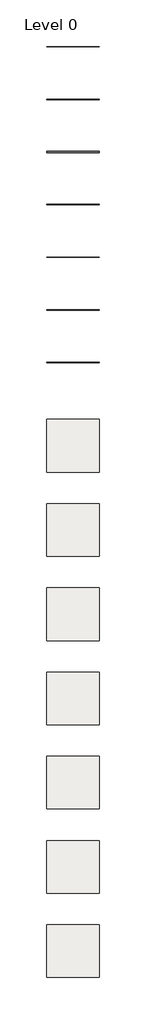
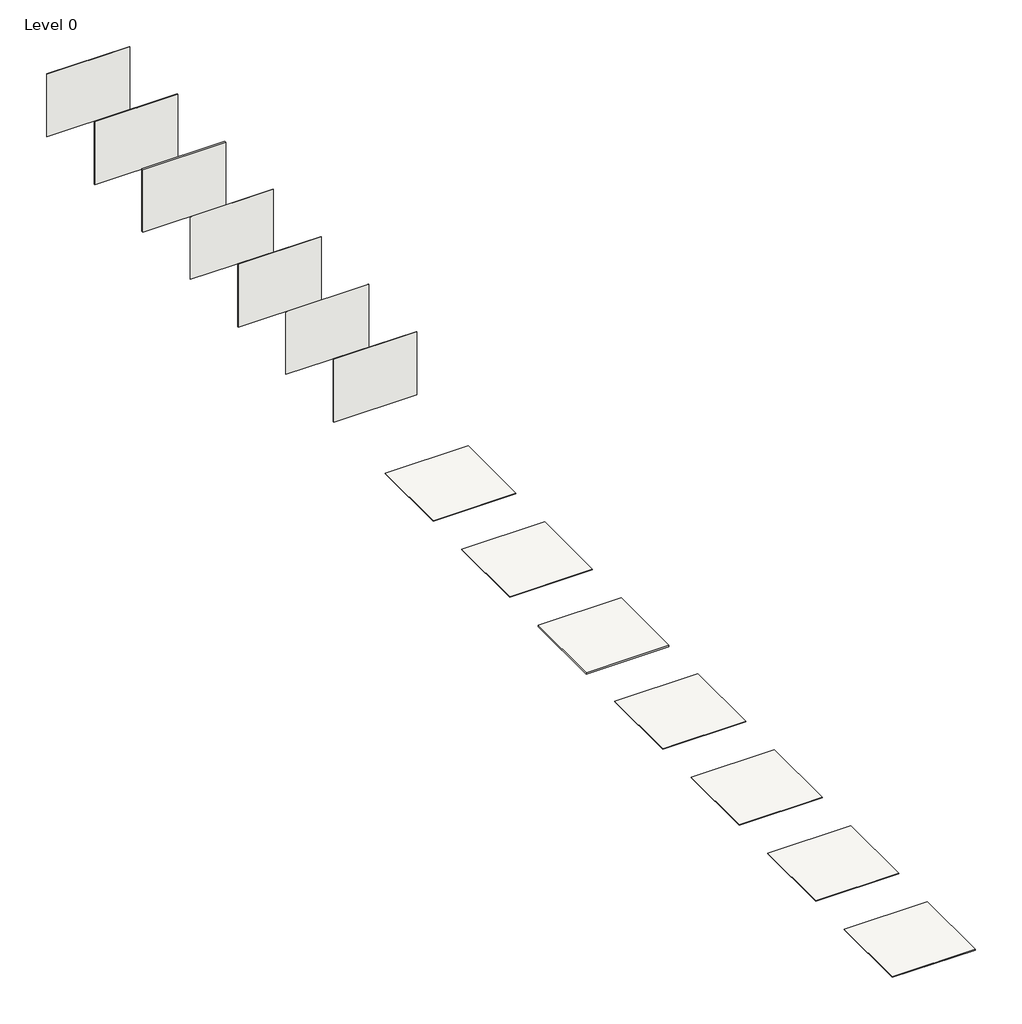
# One storey: 14 coverings.
"""IFC4 building model written with IfcOpenShell, lengths in millimetres."""

import ifcopenshell
import ifcopenshell.guid

model = None  # the IFC model being written
_history = None  # IfcOwnerHistory: only IFC2X3 demands one
_inside = {}  # id of a spatial element -> (the spatial element, [elements in it])
_under = {}  # id of a project, library or spatial element -> (it, [spatial elements below it])
_declared = {}  # id of a project -> (the project, [libraries it declares])
_typed = {}  # id of a type object -> (the type object, [elements of that type])
_made_of = {}  # id of a material, layer set ... -> (it, [elements and type objects made of it])


def new_model(schema):
    """Start an empty IFC model of exactly this schema.

    Asked for "IFC4X3", IfcOpenShell would pick the latest addendum, in which some entities
    have other attributes; the version numbers below select the first issue.
    IFC2X3 requires an IfcOwnerHistory on every rooted entity: one is made here for all.
    """
    global model, _history
    if schema == "IFC4X3":
        model = ifcopenshell.file(schema_version=(4, 3, 0, 0))
    else:
        model = ifcopenshell.file(schema=schema)
    _inside.clear()
    _under.clear()
    _declared.clear()
    _typed.clear()
    _made_of.clear()
    _history = None
    if model.schema == "IFC2X3":
        org = make("IfcOrganization", Name="unknown")
        user = make(
            "IfcPersonAndOrganization",
            ThePerson=make("IfcPerson", FamilyName="unknown"),
            TheOrganization=org,
        )
        app = make(
            "IfcApplication",
            ApplicationDeveloper=org,
            Version="unknown",
            ApplicationFullName="unknown",
            ApplicationIdentifier="unknown",
        )
        _history = make(
            "IfcOwnerHistory",
            OwningUser=user,
            OwningApplication=app,
            ChangeAction="ADDED",
            CreationDate=0,
        )
    return model


def make(cls, **values):
    """One entity of the class cls with the attributes given. An attribute that is None is left unset."""
    return model.create_entity(
        cls, **{name: value for name, value in values.items() if value is not None}
    )


def rooted(cls, **values):
    """An entity with a GlobalId (a new one), such as an element, a storey or a relation."""
    return make(cls, GlobalId=ifcopenshell.guid.new(), OwnerHistory=_history, **values)


def si_unit(unit_type, name, prefix=None):
    """IfcSIUnit, for example si_unit("LENGTHUNIT", "METRE", prefix="MILLI")."""
    return make("IfcSIUnit", UnitType=unit_type, Prefix=prefix, Name=name)


def assignment(units):
    """IfcUnitAssignment: the units of a project."""
    return None if units is None else make("IfcUnitAssignment", Units=units)


def point(xyz):
    """IfcCartesianPoint."""
    return None if xyz is None else make("IfcCartesianPoint", Coordinates=xyz)


def direction(xyz):
    """IfcDirection."""
    return None if xyz is None else make("IfcDirection", DirectionRatios=xyz)


def frame(location, z_axis=None, x_axis=None):
    """IfcAxis2Placement3D, a coordinate frame: its origin and axes. An axis left out is left unset."""
    return make(
        "IfcAxis2Placement3D",
        Location=point(location),
        Axis=direction(z_axis),
        RefDirection=direction(x_axis),
    )


def origin():
    """The frame at (0, 0, 0) with its axes left unset."""
    return frame((0.0, 0.0, 0.0))


def origin_with_axes():
    """The frame at (0, 0, 0) with the z axis (0, 0, 1) and the x axis (1, 0, 0) written out."""
    return frame((0.0, 0.0, 0.0), z_axis=(0.0, 0.0, 1.0), x_axis=(1.0, 0.0, 0.0))


def place(relative_to, where):
    """IfcLocalPlacement: puts the frame where relative to a parent placement (None: the world)."""
    return make(
        "IfcLocalPlacement", PlacementRelTo=relative_to, RelativePlacement=where
    )


def context(
    kind, dimensions, precision=None, world=None, true_north=None, identifier=None
):
    """IfcGeometricRepresentationContext, for example the 3D "Model" context."""
    return make(
        "IfcGeometricRepresentationContext",
        ContextIdentifier=identifier,
        ContextType=kind,
        CoordinateSpaceDimension=dimensions,
        Precision=precision,
        WorldCoordinateSystem=world,
        TrueNorth=true_north,
    )


def project(units=None, contexts=None):
    """IfcProject with its units and contexts."""
    return rooted(
        "IfcProject",
        Name="project",
        RepresentationContexts=contexts,
        UnitsInContext=assignment(units),
    )


def spatial(cls, under=None, at=None, **own):
    """A site, building, storey or space (cls), placed at a placement, below another one or the project."""
    s = rooted(cls, ObjectPlacement=at, **own)
    if under is not None:
        _under.setdefault(under.id(), (under, []))[1].append(s)
    return s


def polyline(points):
    """IfcPolyline through the points."""
    return make("IfcPolyline", Points=[point(p) for p in points])


def outline(outer, holes=None, kind="AREA"):
    """IfcArbitraryClosedProfileDef: a profile drawn as a closed curve; with holes, ...WithVoids."""
    if holes is None:
        return make("IfcArbitraryClosedProfileDef", ProfileType=kind, OuterCurve=outer)
    return make(
        "IfcArbitraryProfileDefWithVoids",
        ProfileType=kind,
        OuterCurve=outer,
        InnerCurves=holes,
    )


def extrude(swept, where, along, depth):
    """IfcExtrudedAreaSolid: the profile swept, set in the frame where, extruded along a direction by depth."""
    return make(
        "IfcExtrudedAreaSolid",
        SweptArea=swept,
        Position=where,
        ExtrudedDirection=direction(along),
        Depth=depth,
    )


def shape(context_of_items, identifier, shape_type, items):
    """IfcShapeRepresentation: the items that make up one representation, for example the "Body"."""
    return make(
        "IfcShapeRepresentation",
        ContextOfItems=context_of_items,
        RepresentationIdentifier=identifier,
        RepresentationType=shape_type,
        Items=items,
    )


def made_of(thing, what):
    """Note that an element or type object is made of a material, layer set ...; save() writes the relation."""
    if what is not None:
        _made_of.setdefault(what.id(), (what, []))[1].append(thing)
    return thing


def element(
    cls,
    number,
    at=None,
    inside=None,
    cuts=None,
    type_object=None,
    material=None,
    context=None,
    identifier="Body",
    shape_type=None,
    held_by="IfcProductDefinitionShape",
    body=None,
    shapes=None,
    **own,
):
    """One element of the class cls, such as IfcWall. Its Tag is "e" and its number.

    at: its placement. inside: the storey or other place that contains it. cuts: it is an
    opening in that element (IfcRelVoidsElement). A single representation is given by context,
    identifier, shape_type and body (its items); several are given by shapes. held_by: the class
    of the entity that holds the representations. save() writes the other relations.
    """
    e = rooted(cls, Tag="e%d" % number, ObjectPlacement=at, **own)
    if body is not None:
        shapes = [shape(context, identifier, shape_type, body)]
    if shapes is not None:
        e.Representation = make(held_by, Representations=shapes)
    if inside is not None:
        _inside.setdefault(inside.id(), (inside, []))[1].append(e)
    if cuts is not None:
        rooted(
            "IfcRelVoidsElement", RelatingBuildingElement=cuts, RelatedOpeningElement=e
        )
    if type_object is not None:
        _typed.setdefault(type_object.id(), (type_object, []))[1].append(e)
    return made_of(e, material)


def aggregate(whole, parts):
    """IfcRelAggregates: a whole, such as a stair, and the parts it consists of."""
    return rooted("IfcRelAggregates", RelatingObject=whole, RelatedObjects=parts)


def save(model, path):
    """Write the relations noted so far, then the file.

    IfcRelAggregates (storeys below a building ...), IfcRelContainedInSpatialStructure (elements
    in a storey), IfcRelDefinesByType, IfcRelAssociatesMaterial and IfcRelDeclares: one each for
    every whole, place, type object, material and project.
    """
    for whole, parts in _under.values():
        aggregate(whole, parts)
    for where, things in _inside.values():
        rooted(
            "IfcRelContainedInSpatialStructure",
            RelatedElements=things,
            RelatingStructure=where,
        )
    for kind, things in _typed.values():
        rooted("IfcRelDefinesByType", RelatedObjects=things, RelatingType=kind)
    for what, things in _made_of.values():
        rooted("IfcRelAssociatesMaterial", RelatedObjects=things, RelatingMaterial=what)
    for by, libraries in _declared.values():
        rooted("IfcRelDeclares", RelatingContext=by, RelatedDefinitions=libraries)
    model.write(path)


model = new_model("IFC4")

# Units and contexts
model_context = context("Model", 3, world=origin())
ifc_project = project(units=[si_unit("LENGTHUNIT", "METRE", prefix="MILLI")], contexts=[model_context])

# Site, building, storey
site = spatial("IfcSite", under=ifc_project)
building = spatial("IfcBuilding", under=site)
storey = spatial("IfcBuildingStorey", under=building, Name="Level 0", Elevation=0.0)

# Coverings
placement = place(None, origin())
element("IfcCovering", 1, at=placement, inside=storey, context=model_context, shape_type="SweptSolid", body=[
    extrude(outline(polyline([(0.0, 7.0), (2500.0, 7.0), (2500.0, -7.0), (0.0, -7.0), (0.0, 7.0)])), origin_with_axes(), (0.0, 0.0, 1.0), 2000.0),
])
element("IfcCovering", 2, at=placement, inside=storey, context=model_context, shape_type="SweptSolid", body=[
    extrude(outline(polyline([(0.0, -2489.25), (2502.1192825, -2489.25), (2502.1192825, -2510.75), (0.0, -2510.75), (0.0, -2489.25)])), origin_with_axes(), (0.0, 0.0, 1.0), 2000.0),
])
element("IfcCovering", 3, at=placement, inside=storey, context=model_context, shape_type="SweptSolid", body=[
    extrude(outline(polyline([(0.0, -4974.25), (2500.0, -4974.25), (2500.0, -5025.75), (0.0, -5025.75), (0.0, -4974.25)])), origin_with_axes(), (0.0, 0.0, 1.0), 2000.0),
])
element("IfcCovering", 4, at=placement, inside=storey, context=model_context, shape_type="SweptSolid", body=[
    extrude(outline(polyline([(0.0, -7493.75), (2500.0, -7493.75), (2500.0, -7506.25), (0.0, -7506.25), (0.0, -7493.75)])), origin_with_axes(), (0.0, 0.0, 1.0), 2000.0),
])
element("IfcCovering", 5, at=placement, inside=storey, context=model_context, shape_type="SweptSolid", body=[
    extrude(outline(polyline([(0.0, -9990.0), (2500.0, -9990.0), (2500.0, -10010.0), (0.0, -10010.0), (0.0, -9990.0)])), origin_with_axes(), (0.0, 0.0, 1.0), 2000.0),
])
element("IfcCovering", 6, at=placement, inside=storey, context=model_context, shape_type="SweptSolid", body=[
    extrude(outline(polyline([(0.0, -12493.75), (2500.0, -12493.75), (2500.0, -12506.25), (0.0, -12506.25), (0.0, -12493.75)])), origin_with_axes(), (0.0, 0.0, 1.0), 2000.0),
])
element("IfcCovering", 7, at=placement, inside=storey, context=model_context, shape_type="SweptSolid", body=[
    extrude(outline(polyline([(0.0, -14990.0), (2500.0, -14990.0), (2500.0, -15010.0), (0.0, -15010.0), (0.0, -14990.0)])), origin_with_axes(), (0.0, 0.0, 1.0), 2000.0),
])
element("IfcCovering", 8, at=placement, inside=storey, context=model_context, shape_type="SweptSolid", body=[
    extrude(outline(polyline([(0.0, -20200.0), (0.0, -17700.0), (2500.0, -17700.0), (2500.0, -20200.0), (0.0, -20200.0)])), frame((0.0, 0.0, -14.0), z_axis=(0.0, 0.0, 1.0), x_axis=(1.0, 0.0, 0.0)), (0.0, 0.0, 1.0), 14.0),
])
element("IfcCovering", 9, at=placement, inside=storey, context=model_context, shape_type="SweptSolid", body=[
    extrude(outline(polyline([(0.0, -24200.0), (0.0, -21700.0), (2500.0, -21700.0), (2500.0, -24200.0), (0.0, -24200.0)])), frame((0.0, 0.0, -21.5), z_axis=(0.0, 0.0, 1.0), x_axis=(1.0, 0.0, 0.0)), (0.0, 0.0, 1.0), 21.5),
])
element("IfcCovering", 10, at=placement, inside=storey, context=model_context, shape_type="SweptSolid", body=[
    extrude(outline(polyline([(0.0, -28200.0), (0.0, -25700.0), (2500.0, -25700.0), (2500.0, -28200.0), (0.0, -28200.0)])), frame((0.0, 0.0, -51.5), z_axis=(0.0, 0.0, 1.0), x_axis=(1.0, 0.0, 0.0)), (0.0, 0.0, 1.0), 51.5),
])
element("IfcCovering", 11, at=placement, inside=storey, context=model_context, shape_type="SweptSolid", body=[
    extrude(outline(polyline([(0.0, -32200.0), (0.0, -29700.0), (2500.0, -29700.0), (2500.0, -32200.0), (0.0, -32200.0)])), frame((0.0, 0.0, -12.5), z_axis=(0.0, 0.0, 1.0), x_axis=(1.0, 0.0, 0.0)), (0.0, 0.0, 1.0), 12.5),
])
element("IfcCovering", 12, at=placement, inside=storey, context=model_context, shape_type="SweptSolid", body=[
    extrude(outline(polyline([(0.0, -36200.0), (0.0, -33700.0), (2500.0, -33700.0), (2500.0, -36200.0), (0.0, -36200.0)])), frame((0.0, 0.0, -20.0), z_axis=(0.0, 0.0, 1.0), x_axis=(1.0, 0.0, 0.0)), (0.0, 0.0, 1.0), 20.0),
])
element("IfcCovering", 13, at=placement, inside=storey, context=model_context, shape_type="SweptSolid", body=[
    extrude(outline(polyline([(0.0, -40200.0), (0.0, -37700.0), (2500.0, -37700.0), (2500.0, -40200.0), (0.0, -40200.0)])), frame((0.0, 0.0, -12.5), z_axis=(0.0, 0.0, 1.0), x_axis=(1.0, 0.0, 0.0)), (0.0, 0.0, 1.0), 12.5),
])
element("IfcCovering", 14, at=placement, inside=storey, context=model_context, shape_type="SweptSolid", body=[
    extrude(outline(polyline([(0.0, -44200.0), (0.0, -41700.0), (2500.0, -41700.0), (2500.0, -44200.0), (0.0, -44200.0)])), frame((0.0, 0.0, -20.0), z_axis=(0.0, 0.0, 1.0), x_axis=(1.0, 0.0, 0.0)), (0.0, 0.0, 1.0), 20.0),
])

save(model, "model.ifc")
